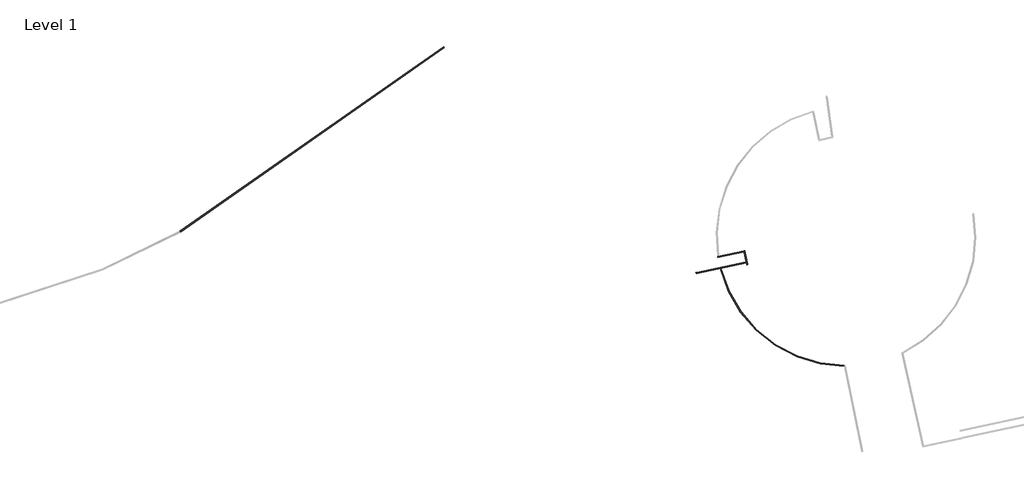
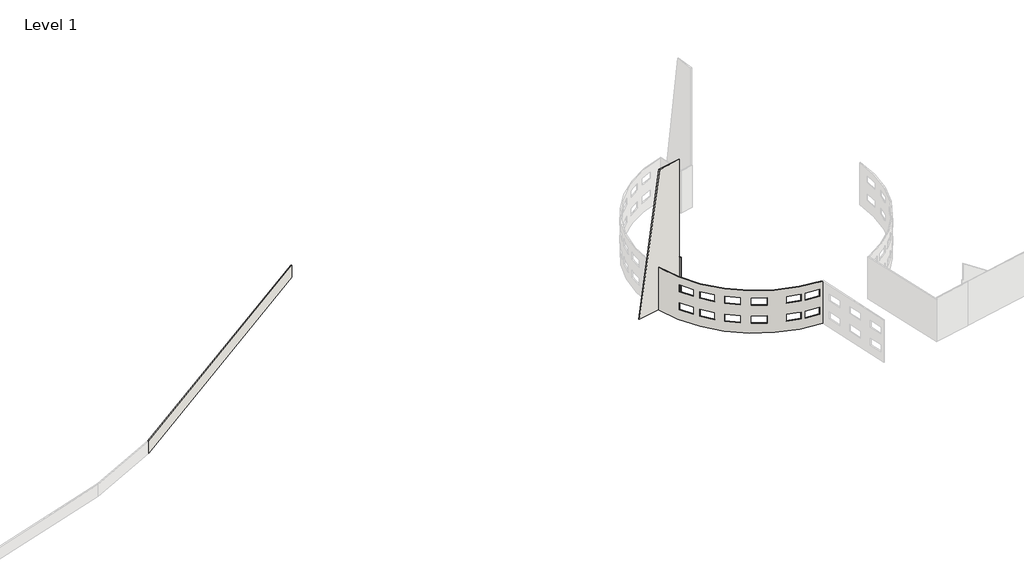
# One storey, part 3 of 56: 5 walls.
"""IFC4 building model written with IfcOpenShell, lengths in millimetres."""

from ifc_helpers import new_model, si_unit, frame, origin, origin_with_axes, place, context, project, spatial, polyline, circle_curve, outline, extrude, faceted_brep, element, save
from ifc_brep_helpers import plane_surface, cylinder_surface, revolved_surface, advanced_brep

model = new_model("IFC4")

# Units and contexts
model_context = context("Model", 3, world=origin())
ifc_project = project(units=[si_unit("LENGTHUNIT", "METRE", prefix="MILLI")], contexts=[model_context])

# Site, building, storey
site = spatial("IfcSite", under=ifc_project)
building = spatial("IfcBuilding", under=site)
storey = spatial("IfcBuildingStorey", under=building, Name="Level 1", Elevation=0.0)

# Walls
placement = place(None, origin())
element("IfcWall", 1, ObjectType="Generic - 200mm", at=placement, inside=storey, context=model_context, shape_type="AdvancedBrep", body=[
    advanced_brep(
    [(-36013.8168099, -60912.4562158, 10600.0), (-9125.0699674, -82099.2253514, 10600.0), (-9166.0825993, -81898.6943997, 10600.0), (-35818.1890944, -60870.2605703, 10600.0), (-36013.8168099, -60912.4562158, 0.0), (-35818.1890944, -60870.2605703, 0.0), (-9166.0825993, -81898.6943997, 0.0), (-9125.0699674, -82099.2253514, 0.0), (-32500.9764729, -69068.4466795, 4233.0367551), (-32500.9764729, -69068.4466795, 2505.8367551), (-34081.2383589, -66227.1311723, 2505.8367551), (-34081.2383589, -66227.1311723, 4233.0367551), (-29570.4428967, -72910.2071052, 4233.0367551), (-29570.4428967, -72910.2071052, 2505.8367551), (-31614.4503955, -70381.9004021, 2505.8367551), (-31614.4503955, -70381.9004021, 4233.0367551), (-25604.5570654, -76512.8368116, 4233.0367551), (-25604.5570654, -76512.8368116, 2505.8367551), (-28091.6080704, -74418.8266067, 2505.8367551), (-28091.6080704, -74418.8266067, 4233.0367551), (-20827.6978539, -79391.8270234, 4233.0367551), (-20827.6978539, -79391.8270234, 2505.8367551), (-23679.5778286, -77830.7113807, 2505.8367551), (-23679.5778286, -77830.7113807, 4233.0367551), (-14016.9918823, -81611.1515564, 4233.0367551), (-14016.9918823, -81611.1515564, 2505.8367551), (-17171.0795671, -80822.4613024, 2505.8367551), (-17171.0795671, -80822.4613024, 4233.0367551), (-9893.4813222, -82079.6476861, 4233.0367551), (-9893.4813222, -82079.6476861, 2505.8367551), (-13129.3698461, -81764.4859808, 2505.8367551), (-13129.3698461, -81764.4859808, 4233.0367551), (-9893.4813222, -82079.6476861, 8733.0367551), (-9893.4813222, -82079.6476861, 7005.8367551), (-13129.3698461, -81764.4859808, 7005.8367551), (-13129.3698461, -81764.4859808, 8733.0367551), (-14016.9918823, -81611.1515564, 8733.0367551), (-14016.9918823, -81611.1515564, 7005.8367551), (-17171.0795671, -80822.4613024, 7005.8367551), (-17171.0795671, -80822.4613024, 8733.0367551), (-20827.6978539, -79391.8270234, 8733.0367551), (-20827.6978539, -79391.8270234, 7005.8367551), (-23679.5778286, -77830.7113807, 7005.8367551), (-23679.5778286, -77830.7113807, 8733.0367551), (-25604.5570654, -76512.8368116, 8733.0367551), (-25604.5570654, -76512.8368116, 7005.8367551), (-28091.6080704, -74418.8266067, 7005.8367551), (-28091.6080704, -74418.8266067, 8733.0367551), (-29570.4428967, -72910.2071052, 8733.0367551), (-29570.4428967, -72910.2071052, 7005.8367551), (-31614.4503955, -70381.9004021, 7005.8367551), (-31614.4503955, -70381.9004021, 8733.0367551), (-32500.9764729, -69068.4466795, 8733.0367551), (-32500.9764729, -69068.4466795, 7005.8367551), (-34081.2383589, -66227.1311723, 7005.8367551), (-34081.2383589, -66227.1311723, 8733.0367551), (-32325.8950364, -68971.0711785, 4233.0367551), (-33906.1569225, -66129.7556713, 4233.0367551), (-33906.1569225, -66129.7556713, 2505.8367551), (-32325.8950364, -68971.0711785, 2505.8367551), (-29414.6490159, -72784.2556689, 4233.0367551), (-31458.6565147, -70255.9489658, 4233.0367551), (-31458.6565147, -70255.9489658, 2505.8367551), (-29414.6490159, -72784.2556689, 2505.8367551), (-25475.5244698, -76359.5851007, 4233.0367551), (-27962.5754749, -74265.5748959, 4233.0367551), (-27962.5754749, -74265.5748959, 2505.8367551), (-25475.5244698, -76359.5851007, 2505.8367551), (-20731.5021415, -79216.094606, 4233.0367551), (-23583.3821162, -77654.9789633, 4233.0367551), (-23583.3821162, -77654.9789633, 2505.8367551), (-20731.5021415, -79216.094606, 2505.8367551), (-13968.3929069, -81416.7971451, 4233.0367551), (-17122.4805916, -80628.1068912, 4233.0367551), (-17122.4805916, -80628.1068912, 2505.8367551), (-13968.3929069, -81416.7971451, 2505.8367551), (-9874.061105, -81880.2527193, 4233.0367551), (-13109.949629, -81565.091014, 4233.0367551), (-13109.949629, -81565.091014, 2505.8367551), (-9874.061105, -81880.2527193, 2505.8367551), (-9874.061105, -81880.2527193, 8733.0367551), (-13109.949629, -81565.091014, 8733.0367551), (-13109.949629, -81565.091014, 7005.8367551), (-9874.061105, -81880.2527193, 7005.8367551), (-13968.3929069, -81416.7971451, 8733.0367551), (-17122.4805916, -80628.1068912, 8733.0367551), (-17122.4805916, -80628.1068912, 7005.8367551), (-13968.3929069, -81416.7971451, 7005.8367551), (-20731.5021415, -79216.094606, 8733.0367551), (-23583.3821162, -77654.9789633, 8733.0367551), (-23583.3821162, -77654.9789633, 7005.8367551), (-20731.5021415, -79216.094606, 7005.8367551), (-25475.5244698, -76359.5851007, 8733.0367551), (-27962.5754749, -74265.5748959, 8733.0367551), (-27962.5754749, -74265.5748959, 7005.8367551), (-25475.5244698, -76359.5851007, 7005.8367551), (-29414.6490159, -72784.2556689, 8733.0367551), (-31458.6565147, -70255.9489658, 8733.0367551), (-31458.6565147, -70255.9489658, 7005.8367551), (-29414.6490159, -72784.2556689, 7005.8367551), (-32325.8950364, -68971.0711785, 8733.0367551), (-33906.1569225, -66129.7556713, 8733.0367551), (-33906.1569225, -66129.7556713, 7005.8367551), (-32325.8950364, -68971.0711785, 7005.8367551)],
    [
        (0, 1, circle_curve(frame((-8794.2031957, -54023.2815566, 10600.0), z_axis=(0.0, 0.0, 1.0), x_axis=(-0.9775195689645827, -0.2108447113192468, 0.0)), 28077.8933111)),
        (1, 2),
        (2, 3, circle_curve(frame((-8794.2031957, -54023.2815566, 10600.0), z_axis=(0.0, 0.0, -1.0), x_axis=(-0.9775195689645827, -0.2108447113192468, 0.0)), 27877.8933111)),
        (3, 0),
        (4, 5),
        (5, 6, circle_curve(frame((-8794.2031957, -54023.2815566, 0.0), z_axis=(0.0, 0.0, 1.0), x_axis=(-0.9775195689645827, -0.2108447113192468, 0.0)), 27877.8933111)),
        (6, 7),
        (7, 4, circle_curve(frame((-8794.2031957, -54023.2815566, 0.0), z_axis=(0.0, 0.0, -1.0), x_axis=(-0.9775195689645827, -0.2108447113192468, 0.0)), 28077.8933111)),
        (0, 4),
        (7, 1),
        (8, 9),
        (9, 10, circle_curve(frame((-8794.2031957, -54023.2815566, 2505.8367551), z_axis=(0.0, 0.0, -1.0), x_axis=(-0.9775195689645827, -0.2108447113192468, 0.0)), 28077.8933111)),
        (10, 11),
        (11, 8, circle_curve(frame((-8794.2031957, -54023.2815566, 4233.0367551), z_axis=(0.0, 0.0, 1.0), x_axis=(-0.9775195689645827, -0.2108447113192468, 0.0)), 28077.8933111)),
        (12, 13),
        (13, 14, circle_curve(frame((-8794.2031957, -54023.2815566, 2505.8367551), z_axis=(0.0, 0.0, -1.0), x_axis=(-0.9775195689645827, -0.2108447113192468, 0.0)), 28077.8933111)),
        (14, 15),
        (15, 12, circle_curve(frame((-8794.2031957, -54023.2815566, 4233.0367551), z_axis=(0.0, 0.0, 1.0), x_axis=(-0.9775195689645827, -0.2108447113192468, 0.0)), 28077.8933111)),
        (16, 17),
        (17, 18, circle_curve(frame((-8794.2031957, -54023.2815566, 2505.8367551), z_axis=(0.0, 0.0, -1.0), x_axis=(-0.9775195689645827, -0.2108447113192468, 0.0)), 28077.8933111)),
        (18, 19),
        (19, 16, circle_curve(frame((-8794.2031957, -54023.2815566, 4233.0367551), z_axis=(0.0, 0.0, 1.0), x_axis=(-0.9775195689645827, -0.2108447113192468, 0.0)), 28077.8933111)),
        (20, 21),
        (21, 22, circle_curve(frame((-8794.2031957, -54023.2815566, 2505.8367551), z_axis=(0.0, 0.0, -1.0), x_axis=(-0.9775195689645827, -0.2108447113192468, 0.0)), 28077.8933111)),
        (22, 23),
        (23, 20, circle_curve(frame((-8794.2031957, -54023.2815566, 4233.0367551), z_axis=(0.0, 0.0, 1.0), x_axis=(-0.9775195689645827, -0.2108447113192468, 0.0)), 28077.8933111)),
        (24, 25),
        (25, 26, circle_curve(frame((-8794.2031957, -54023.2815566, 2505.8367551), z_axis=(0.0, 0.0, -1.0), x_axis=(-0.9775195689645827, -0.2108447113192468, 0.0)), 28077.8933111)),
        (26, 27),
        (27, 24, circle_curve(frame((-8794.2031957, -54023.2815566, 4233.0367551), z_axis=(0.0, 0.0, 1.0), x_axis=(-0.9775195689645827, -0.2108447113192468, 0.0)), 28077.8933111)),
        (28, 29),
        (29, 30, circle_curve(frame((-8794.2031957, -54023.2815566, 2505.8367551), z_axis=(0.0, 0.0, -1.0), x_axis=(-0.9775195689645827, -0.2108447113192468, 0.0)), 28077.8933111)),
        (30, 31),
        (31, 28, circle_curve(frame((-8794.2031957, -54023.2815566, 4233.0367551), z_axis=(0.0, 0.0, 1.0), x_axis=(-0.9775195689645827, -0.2108447113192468, 0.0)), 28077.8933111)),
        (32, 33),
        (33, 34, circle_curve(frame((-8794.2031957, -54023.2815566, 7005.8367551), z_axis=(0.0, 0.0, -1.0), x_axis=(-0.9775195689645827, -0.2108447113192468, 0.0)), 28077.8933111)),
        (34, 35),
        (35, 32, circle_curve(frame((-8794.2031957, -54023.2815566, 8733.0367551), z_axis=(0.0, 0.0, 1.0), x_axis=(-0.9775195689645827, -0.2108447113192468, 0.0)), 28077.8933111)),
        (36, 37),
        (37, 38, circle_curve(frame((-8794.2031957, -54023.2815566, 7005.8367551), z_axis=(0.0, 0.0, -1.0), x_axis=(-0.9775195689645827, -0.2108447113192468, 0.0)), 28077.8933111)),
        (38, 39),
        (39, 36, circle_curve(frame((-8794.2031957, -54023.2815566, 8733.0367551), z_axis=(0.0, 0.0, 1.0), x_axis=(-0.9775195689645827, -0.2108447113192468, 0.0)), 28077.8933111)),
        (40, 41),
        (41, 42, circle_curve(frame((-8794.2031957, -54023.2815566, 7005.8367551), z_axis=(0.0, 0.0, -1.0), x_axis=(-0.9775195689645827, -0.2108447113192468, 0.0)), 28077.8933111)),
        (42, 43),
        (43, 40, circle_curve(frame((-8794.2031957, -54023.2815566, 8733.0367551), z_axis=(0.0, 0.0, 1.0), x_axis=(-0.9775195689645827, -0.2108447113192468, 0.0)), 28077.8933111)),
        (44, 45),
        (45, 46, circle_curve(frame((-8794.2031957, -54023.2815566, 7005.8367551), z_axis=(0.0, 0.0, -1.0), x_axis=(-0.9775195689645827, -0.2108447113192468, 0.0)), 28077.8933111)),
        (46, 47),
        (47, 44, circle_curve(frame((-8794.2031957, -54023.2815566, 8733.0367551), z_axis=(0.0, 0.0, 1.0), x_axis=(-0.9775195689645827, -0.2108447113192468, 0.0)), 28077.8933111)),
        (48, 49),
        (49, 50, circle_curve(frame((-8794.2031957, -54023.2815566, 7005.8367551), z_axis=(0.0, 0.0, -1.0), x_axis=(-0.9775195689645827, -0.2108447113192468, 0.0)), 28077.8933111)),
        (50, 51),
        (51, 48, circle_curve(frame((-8794.2031957, -54023.2815566, 8733.0367551), z_axis=(0.0, 0.0, 1.0), x_axis=(-0.9775195689645827, -0.2108447113192468, 0.0)), 28077.8933111)),
        (52, 53),
        (53, 54, circle_curve(frame((-8794.2031957, -54023.2815566, 7005.8367551), z_axis=(0.0, 0.0, -1.0), x_axis=(-0.9775195689645827, -0.2108447113192468, 0.0)), 28077.8933111)),
        (54, 55),
        (55, 52, circle_curve(frame((-8794.2031957, -54023.2815566, 8733.0367551), z_axis=(0.0, 0.0, 1.0), x_axis=(-0.9775195689645827, -0.2108447113192468, 0.0)), 28077.8933111)),
        (2, 6),
        (5, 3),
        (56, 57, circle_curve(frame((-8794.2031957, -54023.2815566, 4233.0367551), z_axis=(0.0, 0.0, -1.0), x_axis=(-0.9775195689645827, -0.2108447113192468, 0.0)), 27877.8933111)),
        (57, 58),
        (58, 59, circle_curve(frame((-8794.2031957, -54023.2815566, 2505.8367551), z_axis=(0.0, 0.0, 1.0), x_axis=(-0.9775195689645827, -0.2108447113192468, 0.0)), 27877.8933111)),
        (59, 56),
        (60, 61, circle_curve(frame((-8794.2031957, -54023.2815566, 4233.0367551), z_axis=(0.0, 0.0, -1.0), x_axis=(-0.9775195689645827, -0.2108447113192468, 0.0)), 27877.8933111)),
        (61, 62),
        (62, 63, circle_curve(frame((-8794.2031957, -54023.2815566, 2505.8367551), z_axis=(0.0, 0.0, 1.0), x_axis=(-0.9775195689645827, -0.2108447113192468, 0.0)), 27877.8933111)),
        (63, 60),
        (64, 65, circle_curve(frame((-8794.2031957, -54023.2815566, 4233.0367551), z_axis=(0.0, 0.0, -1.0), x_axis=(-0.9775195689645827, -0.2108447113192468, 0.0)), 27877.8933111)),
        (65, 66),
        (66, 67, circle_curve(frame((-8794.2031957, -54023.2815566, 2505.8367551), z_axis=(0.0, 0.0, 1.0), x_axis=(-0.9775195689645827, -0.2108447113192468, 0.0)), 27877.8933111)),
        (67, 64),
        (68, 69, circle_curve(frame((-8794.2031957, -54023.2815566, 4233.0367551), z_axis=(0.0, 0.0, -1.0), x_axis=(-0.9775195689645827, -0.2108447113192468, 0.0)), 27877.8933111)),
        (69, 70),
        (70, 71, circle_curve(frame((-8794.2031957, -54023.2815566, 2505.8367551), z_axis=(0.0, 0.0, 1.0), x_axis=(-0.9775195689645827, -0.2108447113192468, 0.0)), 27877.8933111)),
        (71, 68),
        (72, 73, circle_curve(frame((-8794.2031957, -54023.2815566, 4233.0367551), z_axis=(0.0, 0.0, -1.0), x_axis=(-0.9775195689645827, -0.2108447113192468, 0.0)), 27877.8933111)),
        (73, 74),
        (74, 75, circle_curve(frame((-8794.2031957, -54023.2815566, 2505.8367551), z_axis=(0.0, 0.0, 1.0), x_axis=(-0.9775195689645827, -0.2108447113192468, 0.0)), 27877.8933111)),
        (75, 72),
        (76, 77, circle_curve(frame((-8794.2031957, -54023.2815566, 4233.0367551), z_axis=(0.0, 0.0, -1.0), x_axis=(-0.9775195689645827, -0.2108447113192468, 0.0)), 27877.8933111)),
        (77, 78),
        (78, 79, circle_curve(frame((-8794.2031957, -54023.2815566, 2505.8367551), z_axis=(0.0, 0.0, 1.0), x_axis=(-0.9775195689645827, -0.2108447113192468, 0.0)), 27877.8933111)),
        (79, 76),
        (80, 81, circle_curve(frame((-8794.2031957, -54023.2815566, 8733.0367551), z_axis=(0.0, 0.0, -1.0), x_axis=(-0.9775195689645827, -0.2108447113192468, 0.0)), 27877.8933111)),
        (81, 82),
        (82, 83, circle_curve(frame((-8794.2031957, -54023.2815566, 7005.8367551), z_axis=(0.0, 0.0, 1.0), x_axis=(-0.9775195689645827, -0.2108447113192468, 0.0)), 27877.8933111)),
        (83, 80),
        (84, 85, circle_curve(frame((-8794.2031957, -54023.2815566, 8733.0367551), z_axis=(0.0, 0.0, -1.0), x_axis=(-0.9775195689645827, -0.2108447113192468, 0.0)), 27877.8933111)),
        (85, 86),
        (86, 87, circle_curve(frame((-8794.2031957, -54023.2815566, 7005.8367551), z_axis=(0.0, 0.0, 1.0), x_axis=(-0.9775195689645827, -0.2108447113192468, 0.0)), 27877.8933111)),
        (87, 84),
        (88, 89, circle_curve(frame((-8794.2031957, -54023.2815566, 8733.0367551), z_axis=(0.0, 0.0, -1.0), x_axis=(-0.9775195689645827, -0.2108447113192468, 0.0)), 27877.8933111)),
        (89, 90),
        (90, 91, circle_curve(frame((-8794.2031957, -54023.2815566, 7005.8367551), z_axis=(0.0, 0.0, 1.0), x_axis=(-0.9775195689645827, -0.2108447113192468, 0.0)), 27877.8933111)),
        (91, 88),
        (92, 93, circle_curve(frame((-8794.2031957, -54023.2815566, 8733.0367551), z_axis=(0.0, 0.0, -1.0), x_axis=(-0.9775195689645827, -0.2108447113192468, 0.0)), 27877.8933111)),
        (93, 94),
        (94, 95, circle_curve(frame((-8794.2031957, -54023.2815566, 7005.8367551), z_axis=(0.0, 0.0, 1.0), x_axis=(-0.9775195689645827, -0.2108447113192468, 0.0)), 27877.8933111)),
        (95, 92),
        (96, 97, circle_curve(frame((-8794.2031957, -54023.2815566, 8733.0367551), z_axis=(0.0, 0.0, -1.0), x_axis=(-0.9775195689645827, -0.2108447113192468, 0.0)), 27877.8933111)),
        (97, 98),
        (98, 99, circle_curve(frame((-8794.2031957, -54023.2815566, 7005.8367551), z_axis=(0.0, 0.0, 1.0), x_axis=(-0.9775195689645827, -0.2108447113192468, 0.0)), 27877.8933111)),
        (99, 96),
        (100, 101, circle_curve(frame((-8794.2031957, -54023.2815566, 8733.0367551), z_axis=(0.0, 0.0, -1.0), x_axis=(-0.9775195689645827, -0.2108447113192468, 0.0)), 27877.8933111)),
        (101, 102),
        (102, 103, circle_curve(frame((-8794.2031957, -54023.2815566, 7005.8367551), z_axis=(0.0, 0.0, 1.0), x_axis=(-0.9775195689645827, -0.2108447113192468, 0.0)), 27877.8933111)),
        (103, 100),
        (8, 56),
        (59, 9),
        (58, 10),
        (57, 11),
        (12, 60),
        (63, 13),
        (62, 14),
        (61, 15),
        (16, 64),
        (67, 17),
        (66, 18),
        (65, 19),
        (20, 68),
        (71, 21),
        (70, 22),
        (69, 23),
        (24, 72),
        (75, 25),
        (74, 26),
        (73, 27),
        (28, 76),
        (79, 29),
        (78, 30),
        (77, 31),
        (32, 80),
        (83, 33),
        (82, 34),
        (81, 35),
        (36, 84),
        (87, 37),
        (86, 38),
        (85, 39),
        (40, 88),
        (91, 41),
        (90, 42),
        (89, 43),
        (44, 92),
        (95, 45),
        (94, 46),
        (93, 47),
        (48, 96),
        (99, 49),
        (98, 50),
        (97, 51),
        (52, 100),
        (103, 53),
        (102, 54),
        (101, 55),
    ],
    [
        plane_surface(frame((-36240.8933626, -59943.3568663, 10600.0), z_axis=(0.0, 0.0, 1.0), x_axis=(0.2108447113192468, -0.9775195689645827, 0.0))),
        plane_surface(frame((-36240.8933626, -59943.3568663, 0.0), z_axis=(0.0, 0.0, -1.0), x_axis=(-0.2108447113192468, 0.9775195689645827, 0.0))),
        cylinder_surface(frame((-8794.2031957, -54023.2815566, 0.0), z_axis=(0.0, 0.0, 1.0), x_axis=(-0.9775195689645827, -0.2108447113192468, 0.0)), 28077.8933111),
        revolved_surface(polyline([(-36045.389448807095, -59901.18792396764, 0.0), (-36045.389448807095, -59901.18792396764, 10600.0)]), (-8794.2031957, -54023.2815566, 0.0), (0.0, 0.0, -1.0)),
        plane_surface(frame((-5351.2563919, -100551.2581195, 0.0), z_axis=(0.9797197882000238, 0.20037249464260465, 0.0), x_axis=(0.20037249464260465, -0.9797197882000238, 0.0))),
        plane_surface(frame((-41177.0712986, -62026.1371453, 0.0), z_axis=(-0.2108447113192468, 0.9775195689645827, 0.0), x_axis=(0.9775195689645827, 0.2108447113192468, 0.0))),
        plane_surface(frame((-32500.9764729, -69068.4466795, 4233.0367551), z_axis=(-0.4860549600402622, 0.8739282440911607, 0.0), x_axis=(0.8739282440911607, 0.4860549600402622, 0.0))),
        plane_surface(frame((-32500.9764729, -69068.4466795, 2505.8367551), z_axis=(0.0, 0.0, 1.0000000000000002), x_axis=(0.8739282440911607, 0.4860549600402622, 0.0))),
        plane_surface(frame((-34081.2383589, -66227.1311723, 2505.8367551), z_axis=(0.48605496004026594, -0.8739282440911585, 0.0), x_axis=(0.8739282440911585, 0.48605496004026594, 0.0))),
        plane_surface(frame((-34081.2383589, -66227.1311723, 4233.0367551), z_axis=(0.0, 0.0, -1.0000000000000002), x_axis=(0.8739282440911585, 0.48605496004026594, 0.0))),
        plane_surface(frame((-29570.4428967, -72910.2071052, 4233.0367551), z_axis=(-0.6286932513466569, 0.7776533904710823, 0.0), x_axis=(0.7776533904710823, 0.6286932513466569, 0.0))),
        plane_surface(frame((-29570.4428967, -72910.2071052, 2505.8367551), z_axis=(0.0, 0.0, 1.0000000000000002), x_axis=(0.7776533904710823, 0.6286932513466569, 0.0))),
        plane_surface(frame((-31614.4503955, -70381.9004021, 2505.8367551), z_axis=(0.6286932513466885, -0.7776533904710565, 0.0), x_axis=(0.7776533904710565, 0.6286932513466885, 0.0))),
        plane_surface(frame((-31614.4503955, -70381.9004021, 4233.0367551), z_axis=(0.0, 0.0, -1.0), x_axis=(0.7776533904710565, 0.6286932513466885, 0.0))),
        plane_surface(frame((-25604.5570654, -76512.8368116, 4233.0367551), z_axis=(-0.7649640148483929, 0.6440730206948803, 0.0), x_axis=(0.6440730206948803, 0.7649640148483929, 0.0))),
        plane_surface(frame((-25604.5570654, -76512.8368116, 2505.8367551), z_axis=(0.0, 0.0, 1.0), x_axis=(0.6440730206948803, 0.7649640148483929, 0.0))),
        plane_surface(frame((-28091.6080704, -74418.8266067, 2505.8367551), z_axis=(0.7649640148484176, -0.6440730206948511, 0.0), x_axis=(0.6440730206948511, 0.7649640148484176, 0.0))),
        plane_surface(frame((-28091.6080704, -74418.8266067, 4233.0367551), z_axis=(0.0, 0.0, -1.0), x_axis=(0.6440730206948511, 0.7649640148484176, 0.0))),
        plane_surface(frame((-20827.6978539, -79391.8270234, 4233.0367551), z_axis=(-0.8771776496968694, 0.4801659826271289, 0.0), x_axis=(0.4801659826271289, 0.8771776496968694, 0.0))),
        plane_surface(frame((-20827.6978539, -79391.8270234, 2505.8367551), z_axis=(0.0, 0.0, 1.0), x_axis=(0.4801659826271289, 0.8771776496968694, 0.0))),
        plane_surface(frame((-23679.5778286, -77830.7113807, 2505.8367551), z_axis=(0.8771776496968388, -0.48016598262718513, 0.0), x_axis=(0.48016598262718513, 0.8771776496968388, 0.0))),
        plane_surface(frame((-23679.5778286, -77830.7113807, 4233.0367551), z_axis=(0.0, 0.0, -1.0000000000000002), x_axis=(0.48016598262718513, 0.8771776496968388, 0.0))),
        plane_surface(frame((-14016.9918823, -81611.1515564, 4233.0367551), z_axis=(-0.9701303164313049, 0.24258435469109796, 0.0), x_axis=(0.24258435469109796, 0.9701303164313049, 0.0))),
        plane_surface(frame((-14016.9918823, -81611.1515564, 2505.8367551), z_axis=(0.0, 0.0, 1.0000000000000002), x_axis=(0.24258435469109796, 0.9701303164313049, 0.0))),
        plane_surface(frame((-17171.0795671, -80822.4613024, 2505.8367551), z_axis=(0.97013031643131, -0.2425843546910776, 0.0), x_axis=(0.2425843546910776, 0.97013031643131, 0.0))),
        plane_surface(frame((-17171.0795671, -80822.4613024, 4233.0367551), z_axis=(0.0, 0.0, -1.0000000000000002), x_axis=(0.2425843546910776, 0.97013031643131, 0.0))),
        plane_surface(frame((-9893.4813222, -82079.6476861, 4233.0367551), z_axis=(-0.9952905154902425, 0.09693704026411883, 0.0), x_axis=(0.09693704026411883, 0.9952905154902425, 0.0))),
        plane_surface(frame((-9893.4813222, -82079.6476861, 2505.8367551), z_axis=(0.0, 0.0, 1.0), x_axis=(0.09693704026411883, 0.9952905154902425, 0.0))),
        plane_surface(frame((-13129.3698461, -81764.4859808, 2505.8367551), z_axis=(0.9952905154902428, -0.09693704026411647, 0.0), x_axis=(0.09693704026411647, 0.9952905154902428, 0.0))),
        plane_surface(frame((-13129.3698461, -81764.4859808, 4233.0367551), z_axis=(0.0, 0.0, -1.0000000000000002), x_axis=(0.09693704026411647, 0.9952905154902428, 0.0))),
        plane_surface(frame((-9893.4813222, -82079.6476861, 8733.0367551), z_axis=(-0.9952905154902425, 0.09693704026411883, 0.0), x_axis=(0.09693704026411883, 0.9952905154902425, 0.0))),
        plane_surface(frame((-9893.4813222, -82079.6476861, 7005.8367551), z_axis=(0.0, 0.0, 1.0), x_axis=(0.09693704026411883, 0.9952905154902425, 0.0))),
        plane_surface(frame((-13129.3698461, -81764.4859808, 7005.8367551), z_axis=(0.9952905154902428, -0.09693704026411647, 0.0), x_axis=(0.09693704026411647, 0.9952905154902428, 0.0))),
        plane_surface(frame((-13129.3698461, -81764.4859808, 8733.0367551), z_axis=(0.0, 0.0, -1.0000000000000002), x_axis=(0.09693704026411647, 0.9952905154902428, 0.0))),
        plane_surface(frame((-14016.9918823, -81611.1515564, 8733.0367551), z_axis=(-0.9701303164313049, 0.24258435469109796, 0.0), x_axis=(0.24258435469109796, 0.9701303164313049, 0.0))),
        plane_surface(frame((-14016.9918823, -81611.1515564, 7005.8367551), z_axis=(0.0, 0.0, 1.0000000000000002), x_axis=(0.24258435469109796, 0.9701303164313049, 0.0))),
        plane_surface(frame((-17171.0795671, -80822.4613024, 7005.8367551), z_axis=(0.97013031643131, -0.2425843546910776, 0.0), x_axis=(0.2425843546910776, 0.97013031643131, 0.0))),
        plane_surface(frame((-17171.0795671, -80822.4613024, 8733.0367551), z_axis=(0.0, 0.0, -1.0000000000000002), x_axis=(0.2425843546910776, 0.97013031643131, 0.0))),
        plane_surface(frame((-20827.6978539, -79391.8270234, 8733.0367551), z_axis=(-0.8771776496968694, 0.4801659826271289, 0.0), x_axis=(0.4801659826271289, 0.8771776496968694, 0.0))),
        plane_surface(frame((-20827.6978539, -79391.8270234, 7005.8367551), z_axis=(0.0, 0.0, 1.0), x_axis=(0.4801659826271289, 0.8771776496968694, 0.0))),
        plane_surface(frame((-23679.5778286, -77830.7113807, 7005.8367551), z_axis=(0.8771776496968388, -0.48016598262718513, 0.0), x_axis=(0.48016598262718513, 0.8771776496968388, 0.0))),
        plane_surface(frame((-23679.5778286, -77830.7113807, 8733.0367551), z_axis=(0.0, 0.0, -1.0000000000000002), x_axis=(0.48016598262718513, 0.8771776496968388, 0.0))),
        plane_surface(frame((-25604.5570654, -76512.8368116, 8733.0367551), z_axis=(-0.7649640148483929, 0.6440730206948803, 0.0), x_axis=(0.6440730206948803, 0.7649640148483929, 0.0))),
        plane_surface(frame((-25604.5570654, -76512.8368116, 7005.8367551), z_axis=(0.0, 0.0, 1.0), x_axis=(0.6440730206948803, 0.7649640148483929, 0.0))),
        plane_surface(frame((-28091.6080704, -74418.8266067, 7005.8367551), z_axis=(0.7649640148484176, -0.6440730206948511, 0.0), x_axis=(0.6440730206948511, 0.7649640148484176, 0.0))),
        plane_surface(frame((-28091.6080704, -74418.8266067, 8733.0367551), z_axis=(0.0, 0.0, -1.0), x_axis=(0.6440730206948511, 0.7649640148484176, 0.0))),
        plane_surface(frame((-29570.4428967, -72910.2071052, 8733.0367551), z_axis=(-0.6286932513466569, 0.7776533904710823, 0.0), x_axis=(0.7776533904710823, 0.6286932513466569, 0.0))),
        plane_surface(frame((-29570.4428967, -72910.2071052, 7005.8367551), z_axis=(0.0, 0.0, 1.0000000000000002), x_axis=(0.7776533904710823, 0.6286932513466569, 0.0))),
        plane_surface(frame((-31614.4503955, -70381.9004021, 7005.8367551), z_axis=(0.6286932513466885, -0.7776533904710565, 0.0), x_axis=(0.7776533904710565, 0.6286932513466885, 0.0))),
        plane_surface(frame((-31614.4503955, -70381.9004021, 8733.0367551), z_axis=(0.0, 0.0, -1.0), x_axis=(0.7776533904710565, 0.6286932513466885, 0.0))),
        plane_surface(frame((-32500.9764729, -69068.4466795, 8733.0367551), z_axis=(-0.4860549600402622, 0.8739282440911607, 0.0), x_axis=(0.8739282440911607, 0.4860549600402622, 0.0))),
        plane_surface(frame((-32500.9764729, -69068.4466795, 7005.8367551), z_axis=(0.0, 0.0, 1.0000000000000002), x_axis=(0.8739282440911607, 0.4860549600402622, 0.0))),
        plane_surface(frame((-34081.2383589, -66227.1311723, 7005.8367551), z_axis=(0.48605496004026594, -0.8739282440911585, 0.0), x_axis=(0.8739282440911585, 0.48605496004026594, 0.0))),
        plane_surface(frame((-34081.2383589, -66227.1311723, 8733.0367551), z_axis=(0.0, 0.0, -1.0000000000000002), x_axis=(0.8739282440911585, 0.48605496004026594, 0.0))),
    ],
    [
        (0, [[1, 2, 3, 4]]),
        (1, [[5, 6, 7, 8]]),
        (2, [[-1, 9, -8, 10], [11, 12, 13, 14], [15, 16, 17, 18], [19, 20, 21, 22], [23, 24, 25, 26], [27, 28, 29, 30], [31, 32, 33, 34], [35, 36, 37, 38], [39, 40, 41, 42], [43, 44, 45, 46], [47, 48, 49, 50], [51, 52, 53, 54], [55, 56, 57, 58]]),
        (3, [[-3, 59, -6, 60], [61, 62, 63, 64], [65, 66, 67, 68], [69, 70, 71, 72], [73, 74, 75, 76], [77, 78, 79, 80], [81, 82, 83, 84], [85, 86, 87, 88], [89, 90, 91, 92], [93, 94, 95, 96], [97, 98, 99, 100], [101, 102, 103, 104], [105, 106, 107, 108]]),
        (4, [[-2, -10, -7, -59]]),
        (5, [[-4, -60, -5, -9]]),
        (6, [[-11, 109, -64, 110]]),
        (7, [[-12, -110, -63, 111]]),
        (8, [[-13, -111, -62, 112]]),
        (9, [[-14, -112, -61, -109]]),
        (10, [[-15, 113, -68, 114]]),
        (11, [[-16, -114, -67, 115]]),
        (12, [[-17, -115, -66, 116]]),
        (13, [[-18, -116, -65, -113]]),
        (14, [[-19, 117, -72, 118]]),
        (15, [[-20, -118, -71, 119]]),
        (16, [[-21, -119, -70, 120]]),
        (17, [[-22, -120, -69, -117]]),
        (18, [[-23, 121, -76, 122]]),
        (19, [[-24, -122, -75, 123]]),
        (20, [[-25, -123, -74, 124]]),
        (21, [[-26, -124, -73, -121]]),
        (22, [[-27, 125, -80, 126]]),
        (23, [[-28, -126, -79, 127]]),
        (24, [[-29, -127, -78, 128]]),
        (25, [[-30, -128, -77, -125]]),
        (26, [[-31, 129, -84, 130]]),
        (27, [[-32, -130, -83, 131]]),
        (28, [[-33, -131, -82, 132]]),
        (29, [[-34, -132, -81, -129]]),
        (30, [[-35, 133, -88, 134]]),
        (31, [[-36, -134, -87, 135]]),
        (32, [[-37, -135, -86, 136]]),
        (33, [[-38, -136, -85, -133]]),
        (34, [[-39, 137, -92, 138]]),
        (35, [[-40, -138, -91, 139]]),
        (36, [[-41, -139, -90, 140]]),
        (37, [[-42, -140, -89, -137]]),
        (38, [[-43, 141, -96, 142]]),
        (39, [[-44, -142, -95, 143]]),
        (40, [[-45, -143, -94, 144]]),
        (41, [[-46, -144, -93, -141]]),
        (42, [[-47, 145, -100, 146]]),
        (43, [[-48, -146, -99, 147]]),
        (44, [[-49, -147, -98, 148]]),
        (45, [[-50, -148, -97, -145]]),
        (46, [[-51, 149, -104, 150]]),
        (47, [[-52, -150, -103, 151]]),
        (48, [[-53, -151, -102, 152]]),
        (49, [[-54, -152, -101, -149]]),
        (50, [[-55, 153, -108, 154]]),
        (51, [[-56, -154, -107, 155]]),
        (52, [[-57, -155, -106, 156]]),
        (53, [[-58, -156, -105, -153]]),
    ],
),
])
element("IfcWall", 2, ObjectType="Generic - 200mm", at=placement, inside=storey, context=model_context, shape_type="Brep", body=[
    faceted_brep([(-30922.0801187, -57113.8543346, 0.0), (-30879.9111764, -57309.3582484, 0.0), (-30407.6945222, -59498.6520534, 0.0), (-30365.5255799, -59694.1559672, 0.0), (-30270.8016992, -60133.3154152, 0.0), (-30270.8016992, -60133.3154152, 10600.0), (-30365.5255799, -59694.1559672, 10600.0), (-30407.6945222, -59498.6520534, 10600.0), (-30879.9111764, -57309.3582484, 10600.0), (-30922.0801187, -57113.8543346, 10600.0), (-30726.5762049, -57071.6853923, 0.0), (-30726.5762049, -57071.6853923, 10600.0), (-30075.2977854, -60091.1464729, 10600.0), (-30075.2977854, -60091.1464729, 0.0)], [[[0, 1, 2, 3, 4, 5, 6, 7, 8, 9]], [[10, 11, 12, 13]], [[4, 3, 2, 1, 0, 10, 13]], [[5, 4, 13, 12]], [[9, 8, 7, 6, 5, 12, 11]], [[0, 9, 11, 10]]]),
])
element("IfcWall", 3, ObjectType="Generic - 200mm", at=placement, inside=storey, context=model_context, shape_type="AdvancedBrep", body=[
    advanced_brep(
    [(-36509.104842, -58523.5392746, 0.0), (-30879.9111764, -57309.3582484, 0.0), (-30879.9111764, -57309.3582484, 10600.0), (-36509.104842, -58523.5392746, 10600.0), (-36540.5035364, -58325.7122873, 0.0), (-36540.5035364, -58325.7122873, 10600.0), (-36344.6610361, -58283.4703141, 10600.0), (-30922.0801187, -57113.8543346, 10600.0), (-30922.0801187, -57113.8543346, 0.0), (-36344.6610361, -58283.4703141, 0.0)],
    [
        (0, 1),
        (1, 2),
        (2, 3),
        (3, 0),
        (4, 5),
        (5, 6),
        (6, 7),
        (7, 8),
        (8, 9),
        (9, 4),
        (0, 4, circle_curve(frame((-8794.2031957, -54023.2815566, 0.0), z_axis=(0.0, 0.0, -1.0), x_axis=(-0.9775195689645827, -0.2108447113192468, 0.0)), 28077.8933111)),
        (8, 1),
        (2, 7),
        (5, 3, circle_curve(frame((-8794.2031957, -54023.2815566, 10600.0), z_axis=(0.0, 0.0, 1.0), x_axis=(-0.9775195689645827, -0.2108447113192468, 0.0)), 28077.8933111)),
    ],
    [
        plane_surface(frame((-36509.104842, -58523.5392746, 0.0), z_axis=(0.2108447113192468, -0.9775195689645827, 0.0), x_axis=(0.9775195689645827, 0.2108447113192468, 0.0))),
        plane_surface(frame((-36551.2737842, -58328.0353608, 0.0), z_axis=(-0.2108447113192468, 0.9775195689645827, 0.0), x_axis=(-0.9775195689645827, -0.2108447113192468, 0.0))),
        plane_surface(frame((-36405.9938785, -58501.2989, 0.0), z_axis=(0.0, 0.0, -1.0), x_axis=(-0.2108447113192502, 0.9775195689645819, 0.0))),
        plane_surface(frame((-30782.1592195, -57288.2737772, 10600.0), z_axis=(0.0, 0.0, 1.0), x_axis=(-0.2108447113192502, 0.9775195689645819, 0.0))),
        plane_surface(frame((-30270.8016992, -60133.3154152, 0.0), z_axis=(0.9775195689645827, 0.2108447113192468, 0.0), x_axis=(0.2108447113192468, -0.9775195689645827, 0.0))),
        cylinder_surface(frame((-8794.2031957, -54023.2815566, 0.0), z_axis=(0.0, 0.0, 1.0), x_axis=(-0.9775195689645827, -0.2108447113192468, 0.0)), 28077.8933111),
    ],
    [
        (0, [[1, 2, 3, 4]]),
        (1, [[5, 6, 7, 8, 9, 10]]),
        (2, [[-1, 11, -10, -9, 12]]),
        (3, [[-3, 13, -7, -6, 14]]),
        (4, [[-2, -12, -8, -13]]),
        (5, [[-4, -14, -5, -11]]),
    ],
),
])
element("IfcWall", 4, ObjectType="Generic - 200mm", at=placement, inside=storey, context=model_context, shape_type="Brep", body=[
    faceted_brep([(-30407.6945222, -59498.6520534, 0.0), (-41219.2402409, -61830.6332315, 0.0), (-35764.5914031, -60654.1004069, 35000.0), (-30358.8185437, -59488.1098179, 35000.0), (-30358.8185437, -59488.1098179, 10600.0), (-30407.6945222, -59498.6520534, 10600.0), (-30365.5255799, -59694.1559672, 0.0), (-30365.5255799, -59694.1559672, 10600.0), (-30316.6496015, -59683.6137317, 10600.0), (-30316.6496015, -59683.6137317, 35000.0), (-35722.4224608, -60849.6043207, 35000.0), (-41177.0712986, -62026.1371453, 0.0), (-36013.8168099, -60912.4562158, 0.0), (-35818.1890944, -60870.2605703, 0.0), (-30348.2763082, -59536.9857963, 10600.0)], [[[0, 1, 2, 3, 4, 5]], [[6, 7, 8, 9, 10, 11, 12, 13]], [[0, 5, 7, 6]], [[3, 9, 8, 14, 4]], [[1, 0, 6, 13, 12, 11]], [[3, 2, 10, 9]], [[4, 14, 8, 7, 5]], [[2, 1, 11, 10]]]),
])
element("IfcWall", 5, ObjectType="Retaining - 300mm Concrete", at=placement, inside=storey, context=model_context, shape_type="SweptSolid", body=[
    extrude(outline(polyline([(-95579.2321471, -13152.0510763), (-152674.129634, -53130.32869), (-152826.8619657, -52871.0406433), (-95751.305078, -12906.305463), (-95579.2321471, -13152.0510763)])), origin_with_axes(), (0.0, 0.0, 1.0), 3000.0),
])

save(model, "model.ifc")
